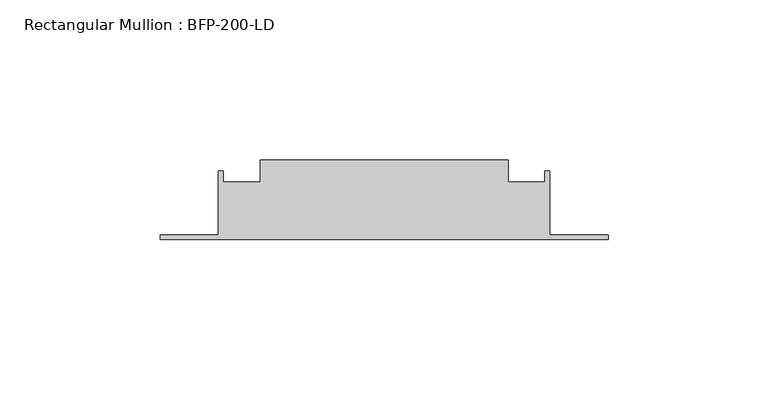
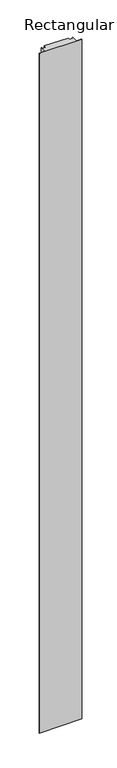
"""IFC4 building model written with IfcOpenShell, lengths in millimetres: member geometry, Rectangular Mullion : BFP-200-LD."""

from ifc_helpers import new_model, si_unit, frame, origin, place, context, project, spatial, polyline, outline, extrude, source, transform, mapped, element, save


def rectangular_mullion_bfp_200_ld_7e89db84(model_context):
    return source(origin(), model_context, "Body", "SweptSolid", [
        extrude(outline(polyline([(-108.75, 45.0), (-31.25, 45.0), (-31.25, 38.0), (-19.75, 38.0), (-19.75, 41.5), (-18.25, 41.5), (-18.25, 21.5), (0.0, 21.5), (0.0, 20.0), (-140.0, 20.0), (-140.0, 21.5), (-121.75, 21.5), (-121.75, 41.5), (-120.25, 41.5), (-120.25, 38.0), (-108.75, 38.0), (-108.75, 45.0)])), frame((0.0, 0.0, -2360.0), z_axis=(0.0, 0.0, 1.0), x_axis=(1.0, 0.0, 0.0)), (0.0, 0.0, 1.0), 2360.0),
    ])


if __name__ == "__main__":
    model = new_model("IFC4")
    model_context = context("Model", 3, world=origin())
    ifc_project = project(units=[si_unit("LENGTHUNIT", "METRE", prefix="MILLI")], contexts=[model_context])
    site = spatial("IfcSite", under=ifc_project)
    building = spatial("IfcBuilding", under=site)
    placement = place(None, origin())
    rectangular_mullion_bfp_200_ld_shape = rectangular_mullion_bfp_200_ld_7e89db84(model_context)
    element("IfcMember", 1, ObjectType="Rectangular Mullion : BFP-200-LD", at=placement, inside=building, context=model_context, shape_type="MappedRepresentation", body=[
        mapped(rectangular_mullion_bfp_200_ld_shape, transform((0.0, 0.0, 0.0), x_axis=(1.0, 0.0, 0.0), y_axis=(0.0, 1.0, 0.0), z_axis=(0.0, 0.0, 1.0))),
    ])
    save(model, "model.ifc")
